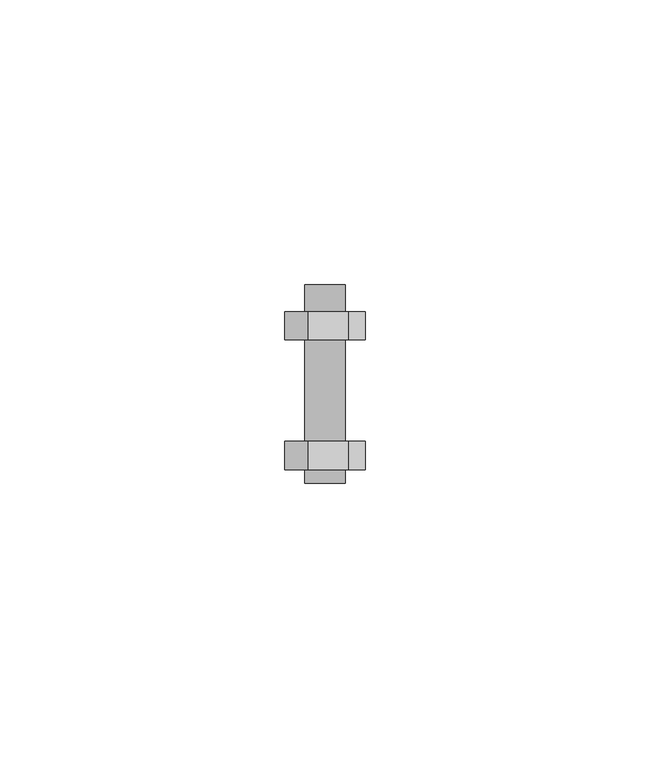
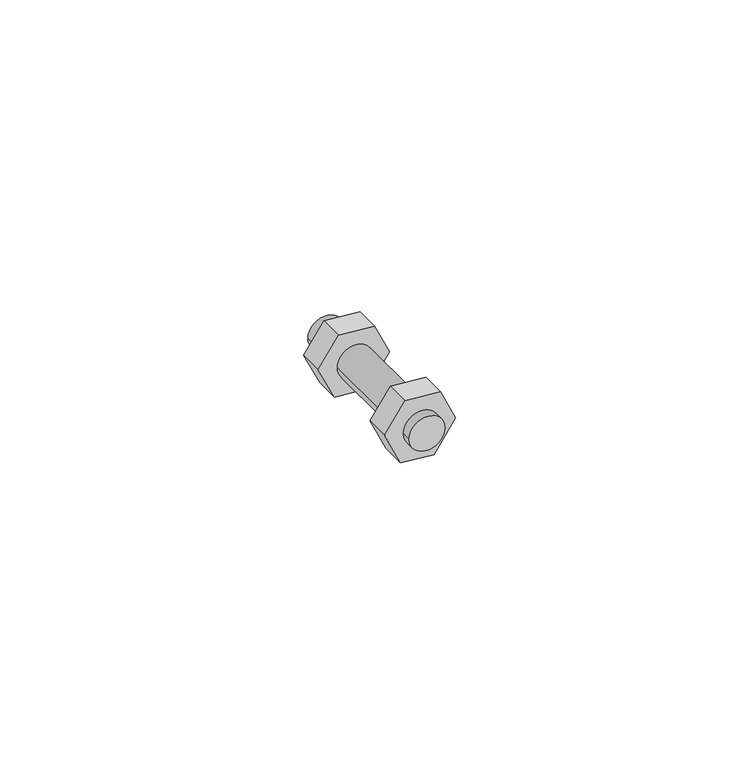
"""IFC4 building model written with IfcOpenShell, lengths in millimetres: fastener geometry."""

import ifcopenshell
import ifcopenshell.guid

model = None  # the IFC model being written
_history = None  # IfcOwnerHistory: only IFC2X3 demands one
_inside = {}  # id of a spatial element -> (the spatial element, [elements in it])
_under = {}  # id of a project, library or spatial element -> (it, [spatial elements below it])
_declared = {}  # id of a project -> (the project, [libraries it declares])
_typed = {}  # id of a type object -> (the type object, [elements of that type])
_made_of = {}  # id of a material, layer set ... -> (it, [elements and type objects made of it])


def new_model(schema):
    """Start an empty IFC model of exactly this schema.

    Asked for "IFC4X3", IfcOpenShell would pick the latest addendum, in which some entities
    have other attributes; the version numbers below select the first issue.
    IFC2X3 requires an IfcOwnerHistory on every rooted entity: one is made here for all.
    """
    global model, _history
    if schema == "IFC4X3":
        model = ifcopenshell.file(schema_version=(4, 3, 0, 0))
    else:
        model = ifcopenshell.file(schema=schema)
    _inside.clear()
    _under.clear()
    _declared.clear()
    _typed.clear()
    _made_of.clear()
    _history = None
    if model.schema == "IFC2X3":
        org = make("IfcOrganization", Name="unknown")
        user = make(
            "IfcPersonAndOrganization",
            ThePerson=make("IfcPerson", FamilyName="unknown"),
            TheOrganization=org,
        )
        app = make(
            "IfcApplication",
            ApplicationDeveloper=org,
            Version="unknown",
            ApplicationFullName="unknown",
            ApplicationIdentifier="unknown",
        )
        _history = make(
            "IfcOwnerHistory",
            OwningUser=user,
            OwningApplication=app,
            ChangeAction="ADDED",
            CreationDate=0,
        )
    return model


def make(cls, **values):
    """One entity of the class cls with the attributes given. An attribute that is None is left unset."""
    return model.create_entity(
        cls, **{name: value for name, value in values.items() if value is not None}
    )


def rooted(cls, **values):
    """An entity with a GlobalId (a new one), such as an element, a storey or a relation."""
    return make(cls, GlobalId=ifcopenshell.guid.new(), OwnerHistory=_history, **values)


def si_unit(unit_type, name, prefix=None):
    """IfcSIUnit, for example si_unit("LENGTHUNIT", "METRE", prefix="MILLI")."""
    return make("IfcSIUnit", UnitType=unit_type, Prefix=prefix, Name=name)


def assignment(units):
    """IfcUnitAssignment: the units of a project."""
    return None if units is None else make("IfcUnitAssignment", Units=units)


def point(xyz):
    """IfcCartesianPoint."""
    return None if xyz is None else make("IfcCartesianPoint", Coordinates=xyz)


def direction(xyz):
    """IfcDirection."""
    return None if xyz is None else make("IfcDirection", DirectionRatios=xyz)


def frame(location, z_axis=None, x_axis=None):
    """IfcAxis2Placement3D, a coordinate frame: its origin and axes. An axis left out is left unset."""
    return make(
        "IfcAxis2Placement3D",
        Location=point(location),
        Axis=direction(z_axis),
        RefDirection=direction(x_axis),
    )


def frame_2d(location, x_axis=None):
    """IfcAxis2Placement2D, a coordinate frame in the plane: its origin and x axis."""
    return make(
        "IfcAxis2Placement2D", Location=point(location), RefDirection=direction(x_axis)
    )


def origin():
    """The frame at (0, 0, 0) with its axes left unset."""
    return frame((0.0, 0.0, 0.0))


def place(relative_to, where):
    """IfcLocalPlacement: puts the frame where relative to a parent placement (None: the world)."""
    return make(
        "IfcLocalPlacement", PlacementRelTo=relative_to, RelativePlacement=where
    )


def context(
    kind, dimensions, precision=None, world=None, true_north=None, identifier=None
):
    """IfcGeometricRepresentationContext, for example the 3D "Model" context."""
    return make(
        "IfcGeometricRepresentationContext",
        ContextIdentifier=identifier,
        ContextType=kind,
        CoordinateSpaceDimension=dimensions,
        Precision=precision,
        WorldCoordinateSystem=world,
        TrueNorth=true_north,
    )


def project(units=None, contexts=None):
    """IfcProject with its units and contexts."""
    return rooted(
        "IfcProject",
        Name="project",
        RepresentationContexts=contexts,
        UnitsInContext=assignment(units),
    )


def spatial(cls, under=None, at=None, **own):
    """A site, building, storey or space (cls), placed at a placement, below another one or the project."""
    s = rooted(cls, ObjectPlacement=at, **own)
    if under is not None:
        _under.setdefault(under.id(), (under, []))[1].append(s)
    return s


def polyline(points):
    """IfcPolyline through the points."""
    return make("IfcPolyline", Points=[point(p) for p in points])


def circle_curve(where, radius):
    """IfcCircle in the frame where."""
    return make("IfcCircle", Position=where, Radius=radius)


def trimmed(basis, trim1, trim2, sense, master):
    """IfcTrimmedCurve: the piece of a basis curve between two trims."""
    return make(
        "IfcTrimmedCurve",
        BasisCurve=basis,
        Trim1=trim1,
        Trim2=trim2,
        SenseAgreement=sense,
        MasterRepresentation=master,
    )


def segment(curve, same_sense, transition):
    """IfcCompositeCurveSegment."""
    return make(
        "IfcCompositeCurveSegment",
        Transition=transition,
        SameSense=same_sense,
        ParentCurve=curve,
    )


def composite_curve(segments, self_intersect=None):
    """IfcCompositeCurve: segments joined end to end."""
    return make("IfcCompositeCurve", Segments=segments, SelfIntersect=self_intersect)


def outline(outer, holes=None, kind="AREA"):
    """IfcArbitraryClosedProfileDef: a profile drawn as a closed curve; with holes, ...WithVoids."""
    if holes is None:
        return make("IfcArbitraryClosedProfileDef", ProfileType=kind, OuterCurve=outer)
    return make(
        "IfcArbitraryProfileDefWithVoids",
        ProfileType=kind,
        OuterCurve=outer,
        InnerCurves=holes,
    )


def extrude(swept, where, along, depth):
    """IfcExtrudedAreaSolid: the profile swept, set in the frame where, extruded along a direction by depth."""
    return make(
        "IfcExtrudedAreaSolid",
        SweptArea=swept,
        Position=where,
        ExtrudedDirection=direction(along),
        Depth=depth,
    )


def shape(context_of_items, identifier, shape_type, items):
    """IfcShapeRepresentation: the items that make up one representation, for example the "Body"."""
    return make(
        "IfcShapeRepresentation",
        ContextOfItems=context_of_items,
        RepresentationIdentifier=identifier,
        RepresentationType=shape_type,
        Items=items,
    )


def source(mapping_origin, context_of_items, identifier, shape_type, items):
    """IfcRepresentationMap: a shape defined once, which mapped items show again and again."""
    return make(
        "IfcRepresentationMap",
        MappingOrigin=mapping_origin,
        MappedRepresentation=shape(context_of_items, identifier, shape_type, items),
    )


def transform(
    local_origin,
    x_axis=None,
    y_axis=None,
    z_axis=None,
    scale=None,
    scale2=None,
    scale3=None,
    uniform=True,
):
    """IfcCartesianTransformationOperator3D, or its non-uniform kind. x_axis, y_axis, z_axis: its Axis1, 2, 3."""
    if uniform:
        return make(
            "IfcCartesianTransformationOperator3D",
            Axis1=direction(x_axis),
            Axis2=direction(y_axis),
            LocalOrigin=point(local_origin),
            Scale=scale,
            Axis3=direction(z_axis),
        )
    return make(
        "IfcCartesianTransformationOperator3DnonUniform",
        Axis1=direction(x_axis),
        Axis2=direction(y_axis),
        LocalOrigin=point(local_origin),
        Scale=scale,
        Axis3=direction(z_axis),
        Scale2=scale2,
        Scale3=scale3,
    )


def mapped(mapping_source, mapping_target):
    """IfcMappedItem: shows the shape of a source again, moved by a transform."""
    return make(
        "IfcMappedItem", MappingSource=mapping_source, MappingTarget=mapping_target
    )


def made_of(thing, what):
    """Note that an element or type object is made of a material, layer set ...; save() writes the relation."""
    if what is not None:
        _made_of.setdefault(what.id(), (what, []))[1].append(thing)
    return thing


def element(
    cls,
    number,
    at=None,
    inside=None,
    cuts=None,
    type_object=None,
    material=None,
    context=None,
    identifier="Body",
    shape_type=None,
    held_by="IfcProductDefinitionShape",
    body=None,
    shapes=None,
    **own,
):
    """One element of the class cls, such as IfcWall. Its Tag is "e" and its number.

    at: its placement. inside: the storey or other place that contains it. cuts: it is an
    opening in that element (IfcRelVoidsElement). A single representation is given by context,
    identifier, shape_type and body (its items); several are given by shapes. held_by: the class
    of the entity that holds the representations. save() writes the other relations.
    """
    e = rooted(cls, Tag="e%d" % number, ObjectPlacement=at, **own)
    if body is not None:
        shapes = [shape(context, identifier, shape_type, body)]
    if shapes is not None:
        e.Representation = make(held_by, Representations=shapes)
    if inside is not None:
        _inside.setdefault(inside.id(), (inside, []))[1].append(e)
    if cuts is not None:
        rooted(
            "IfcRelVoidsElement", RelatingBuildingElement=cuts, RelatedOpeningElement=e
        )
    if type_object is not None:
        _typed.setdefault(type_object.id(), (type_object, []))[1].append(e)
    return made_of(e, material)


def aggregate(whole, parts):
    """IfcRelAggregates: a whole, such as a stair, and the parts it consists of."""
    return rooted("IfcRelAggregates", RelatingObject=whole, RelatedObjects=parts)


def save(model, path):
    """Write the relations noted so far, then the file.

    IfcRelAggregates (storeys below a building ...), IfcRelContainedInSpatialStructure (elements
    in a storey), IfcRelDefinesByType, IfcRelAssociatesMaterial and IfcRelDeclares: one each for
    every whole, place, type object, material and project.
    """
    for whole, parts in _under.values():
        aggregate(whole, parts)
    for where, things in _inside.values():
        rooted(
            "IfcRelContainedInSpatialStructure",
            RelatedElements=things,
            RelatingStructure=where,
        )
    for kind, things in _typed.values():
        rooted("IfcRelDefinesByType", RelatedObjects=things, RelatingType=kind)
    for what, things in _made_of.values():
        rooted("IfcRelAssociatesMaterial", RelatedObjects=things, RelatingMaterial=what)
    for by, libraries in _declared.values():
        rooted("IfcRelDeclares", RelatingContext=by, RelatedDefinitions=libraries)
    model.write(path)


def fastener_7d77d7e0(model_context):
    return source(origin(), model_context, "Body", "SweptSolid", [
        extrude(outline(polyline([(50.2132267, -1722.6763714), (49.6334598, -1716.0496056), (55.8779191, -1711.6771881), (62.3467617, -1714.693659), (62.9688426, -1721.8040764), (57.1220809, -1725.898023), (50.2132267, -1722.6763714)])), frame((0.0, -373.5640334, 0.0), z_axis=(0.0, 1.0, 0.0), x_axis=(0.0, 0.0, 1.0)), (0.0, 0.0, 1.0), 4.994876),
        extrude(outline(polyline([(50.2132267, -1722.6763714), (49.6334598, -1716.0496056), (55.8779191, -1711.6771881), (62.3467617, -1714.693659), (62.9688426, -1721.8040764), (57.1220809, -1725.898023), (50.2132267, -1722.6763714)])), frame((0.0, -396.3691574, 0.0), z_axis=(0.0, 1.0, 0.0), x_axis=(0.0, 0.0, 1.0)), (0.0, 0.0, 1.0), 5.0),
        extrude(outline(composite_curve([segment(trimmed(circle_curve(frame_2d((56.5, -1718.7876056)), 3.5454618), [point((56.5, -1715.2421438))], [point((56.5, -1722.3330674))], False, "CARTESIAN"), True, "CONTINUOUS"), segment(trimmed(circle_curve(frame_2d((56.5, -1718.7876056)), 3.5454618), [point((56.5, -1722.3330674))], [point((56.5, -1715.2421438))], False, "CARTESIAN"), True, "CONTINUOUS")], self_intersect=False)), frame((0.0, -398.7823741, 0.0), z_axis=(0.0, 1.0, 0.0), x_axis=(0.0, 0.0, 1.0)), (0.0, 0.0, 1.0), 34.9635271),
    ])


if __name__ == "__main__":
    model = new_model("IFC4")
    model_context = context("Model", 3, world=origin())
    ifc_project = project(units=[si_unit("LENGTHUNIT", "METRE", prefix="MILLI")], contexts=[model_context])
    site = spatial("IfcSite", under=ifc_project)
    building = spatial("IfcBuilding", under=site)
    placement = place(None, origin())
    fastener_shape = fastener_7d77d7e0(model_context)
    element("IfcFastener", 1, at=placement, inside=building, context=model_context, shape_type="MappedRepresentation", body=[
        mapped(fastener_shape, transform((0.0, 0.0, 0.0), x_axis=(1.0, 0.0, 0.0), y_axis=(0.0, 1.0, 0.0), z_axis=(0.0, 0.0, 1.0))),
    ])
    save(model, "model.ifc")
